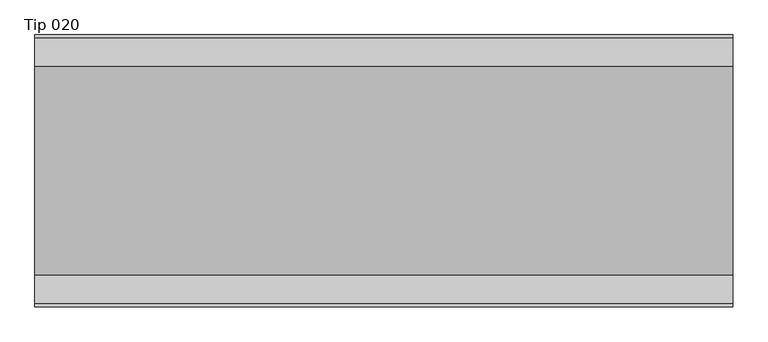
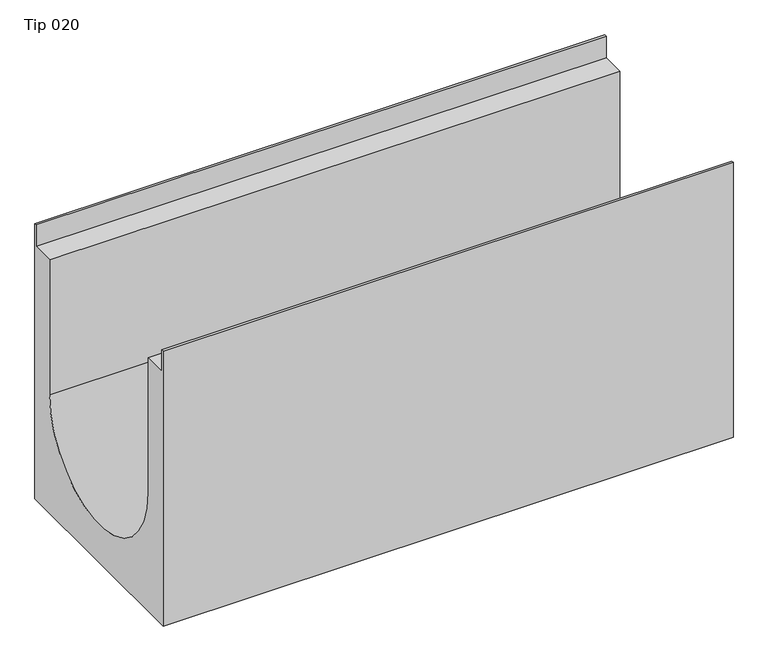
"""IFC4 building model written with IfcOpenShell, lengths in millimetres: proxy geometry, Tip 020."""

from ifc_helpers import new_model, si_unit, point, frame, frame_2d, origin, place, context, project, spatial, polyline, circle_curve, trimmed, segment, composite_curve, outline, extrude, source, transform, mapped, element, save


def tip_020_d5c5be55(model_context):
    return source(origin(), model_context, "Body", "SweptSolid", [
        extrude(outline(composite_curve([segment(polyline([(-195.0, -510.0), (-195.0, 0.0), (-191.0, 0.0), (-191.0, -40.0), (-150.0, -40.0), (-150.0, -290.0229195)]), True, "CONTINUOUS"), segment(trimmed(circle_curve(frame_2d((0.0, -290.0229195)), 150.0), [point((-150.0, -290.0229195))], [point((150.0, -290.0229195))], True, "CARTESIAN"), True, "CONTINUOUS"), segment(polyline([(150.0, -290.0229195), (150.0, -40.0), (191.0, -40.0), (191.0, 0.0), (195.0, 0.0), (195.0, -510.0), (-195.0, -510.0)]), True, "CONTINUOUS")], self_intersect=False)), frame((0.0, 0.0, 0.0), z_axis=(1.0, 0.0, 0.0), x_axis=(0.0, 1.0, 0.0)), (0.0, 0.0, 1.0), 1000.0),
    ])


if __name__ == "__main__":
    model = new_model("IFC4")
    model_context = context("Model", 3, world=origin())
    ifc_project = project(units=[si_unit("LENGTHUNIT", "METRE", prefix="MILLI")], contexts=[model_context])
    site = spatial("IfcSite", under=ifc_project)
    building = spatial("IfcBuilding", under=site)
    placement = place(None, origin())
    tip_020_shape = tip_020_d5c5be55(model_context)
    element("IfcBuildingElementProxy", 1, Name="Tip 020", ObjectType="Tip 020", at=placement, inside=building, context=model_context, shape_type="MappedRepresentation", body=[
        mapped(tip_020_shape, transform((0.0, 0.0, 0.0), x_axis=(1.0, 0.0, 0.0), y_axis=(0.0, 1.0, 0.0), z_axis=(0.0, 0.0, 1.0))),
    ])
    save(model, "model.ifc")
